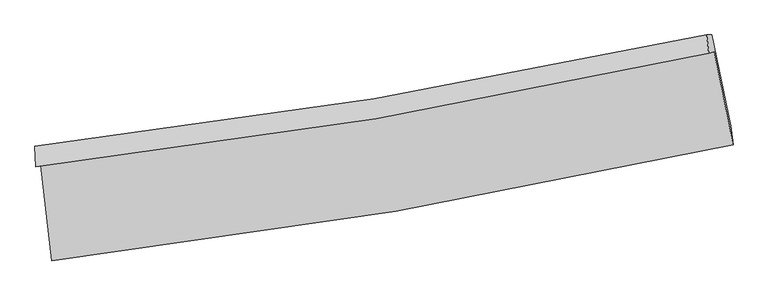
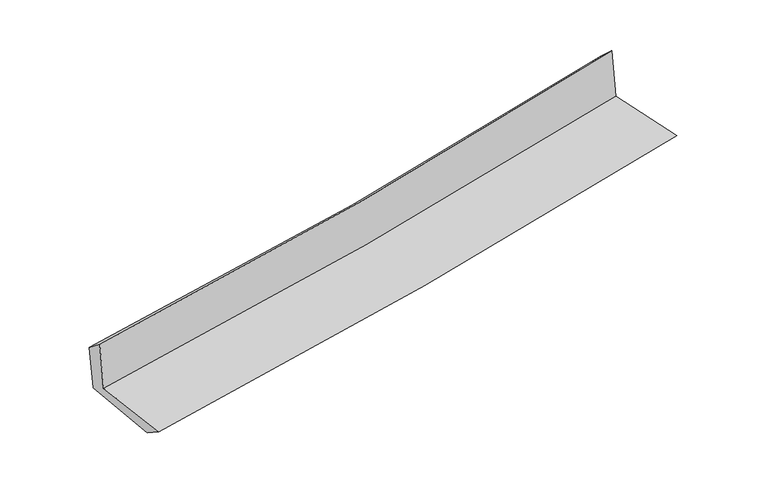
"""IFC4 building model written with IfcOpenShell, lengths in millimetres: proxy geometry."""

from ifc_helpers import new_model, si_unit, frame, origin, place, context, project, spatial, source, transform, mapped, element, save
from ifc_brep_helpers import plane_surface, spline_curve, spline_surface, advanced_brep


def generic_models_9126363f(model_context):
    return source(origin(), model_context, "Body", "AdvancedBrep", [
        advanced_brep(
        [(-2425.476243, -1877.2422857, 1651.3919088), (-2348.8169673, -2555.4264442, 1648.8368677), (2495.3609634, -1729.5300128, 2097.4118834), (2361.2428029, -1070.5390093, 2094.418122), (-2462.5095008, -1888.0106052, 2063.1153487), (2322.6856437, -1081.7504401, 2523.0837911), (-2468.6254183, -1741.3730352, 1951.0727864), (2307.6910383, -949.9631809, 2398.359834), (-2433.6951929, -1741.8307767, 1575.6062424), (2344.2349825, -950.2848548, 2015.5104572), (-2357.206332, -2397.4346712, 1547.4945097), (2477.8013281, -1594.6032996, 1992.8884307)],
        [
            (0, 1),
            (1, 2, spline_curve(3, [(-2348.8169673, -2555.4264442, 1648.8368677), (-1529.682302271, -2459.69240273, 1730.155430405), (-713.973106989, -2342.446216949, 1808.40699625), (900.669675101, -2066.624937162, 1957.857513032), (1699.686456659, -1908.572312788, 2029.130952207), (2495.3609634, -1729.5300128, 2097.4118834)], [4, 2, 4], [0.0, 8.098157891967187, 16.0973706331687])),
            (2, 3),
            (3, 0, spline_curve(3, [(2361.2428029, -1070.5390093, 2094.418122), (1574.872456471, -1245.969374097, 2027.048177683), (785.265907801, -1400.62510268, 1956.689764851), (-810.226553073, -1670.043311496, 1809.088748492), (-1616.193019439, -1784.288674938, 1731.771756797), (-2425.476243, -1877.2422857, 1651.3919088)], [4, 2, 4], [0.0, 7.999212741201514, 16.0973706331687])),
            (4, 0),
            (3, 5),
            (5, 4, spline_curve(3, [(2322.6856437, -1081.7504401, 2523.0837911), (1537.097209085, -1256.953444936, 2447.020811428), (748.009454723, -1411.458321771, 2370.894614903), (-846.968489433, -1680.726922012, 2217.573374537), (-1652.945783307, -1794.975433912, 2140.376756695), (-2462.5095008, -1888.0106052, 2063.1153487)], [4, 2, 4], [0.0, 7.950131785746558, 15.998601622198528])),
            (6, 4),
            (5, 7),
            (7, 6, spline_curve(3, [(2307.6910383, -949.9631809, 2398.359834), (1523.537087202, -1121.695561217, 2320.959641568), (735.901806135, -1273.232099904, 2245.204560429), (-856.117023156, -1537.538093999, 2096.067928197), (-1660.587227471, -1649.804840252, 2022.727326862), (-2468.6254183, -1741.3730352, 1951.0727864)], [4, 2, 4], [0.0, 7.9399842258700115, 15.978180983613225])),
            (8, 6),
            (7, 9),
            (9, 8, spline_curve(3, [(2344.2349825, -950.2848548, 2015.5104572), (1559.265629626, -1122.040841883, 1945.127302296), (771.087313187, -1273.600456098, 1873.510001823), (-821.476202009, -1537.951819475, 1726.905983734), (-1625.941277234, -1650.240845526, 1651.888545978), (-2433.6951929, -1741.8307767, 1575.6062424)], [4, 2, 4], [0.0, 7.930616425822784, 15.959329509817444])),
            (10, 8),
            (9, 11),
            (11, 10, spline_curve(3, [(2477.8013281, -1594.6032996, 1992.8884307), (1683.070948241, -1766.157694366, 1921.690709002), (885.283955257, -1918.544821491, 1849.211752702), (-726.309180188, -2186.632385055, 1700.779004263), (-1540.191407414, -2301.855715219, 1624.793320509), (-2357.206332, -2397.4346712, 1547.4945097)], [4, 2, 4], [0.0, 7.978829884211237, 16.056352796270154])),
            (1, 10),
            (11, 2),
        ],
        [
            spline_surface(3, 3, [[(-2425.476243, -1877.2422857, 1651.3919088), (-1616.193019474, -1784.288674843, 1731.771756865), (-810.226552957, -1670.043311406, 1809.088748548), (785.265907687, -1400.62510277, 1956.689764796), (1574.872456474, -1245.969374092, 2027.048177563), (2361.2428029, -1070.5390093, 2094.418122)], [(-2399.92315109, -2103.303671872, 1650.540228404), (-1587.356113704, -2009.423250821, 1731.232981323), (-778.142070934, -1894.177613238, 1808.861497814), (823.733830133, -1622.625047589, 1957.079014168), (1616.477123198, -1466.837020276, 2027.742435751), (2405.948856406, -1290.202677129, 2095.416042475)], [(-2374.37005921, -2329.365058028, 1649.688548096), (-1558.519207964, -2234.557826782, 1730.694205869), (-746.057588923, -2118.31191506, 1808.634247092), (862.201752567, -1844.624992399, 1957.468263553), (1658.081789905, -1687.704666473, 2028.436693915), (2450.654909894, -1509.866344971, 2096.413962925)], [(-2348.8169673, -2555.4264442, 1648.8368677), (-1529.682302195, -2459.692402759, 1730.155430327), (-713.9731069, -2342.446216892, 1808.406996359), (900.669675013, -2066.624937218, 1957.857512925), (1699.686456629, -1908.572312656, 2029.130952102), (2495.3609634, -1729.5300128, 2097.4118834)]], [4, 4], [4, 2, 4], [0.0, 2.2228942371181706], [0.0, 8.098157891967187, 16.0973706331687]),
            spline_surface(3, 3, [[(-2462.5095008, -1888.0106052, 2063.1153487), (-1652.945783177, -1794.97543387, 2140.376756706), (-846.968489381, -1680.72692211, 2217.573374441), (748.009454672, -1411.458321674, 2370.894614997), (1537.097209072, -1256.95344504, 2447.020811405), (2322.6856437, -1081.7504401, 2523.0837911)], [(-2450.165081547, -1884.421165387, 1925.874202081), (-1640.694861956, -1791.413180882, 2004.175090107), (-834.721177246, -1677.165718551, 2081.411832467), (760.428272337, -1407.847248715, 2232.826331587), (1549.688958207, -1253.292088055, 2307.029933452), (2335.5380301, -1078.013296498, 2380.195234727)], [(-2437.820662253, -1880.831725513, 1788.633055419), (-1628.443940695, -1787.850927832, 1867.973423465), (-822.473865092, -1673.604514964, 1945.250290522), (772.847090022, -1404.236175729, 2094.758048206), (1562.280707339, -1249.630731077, 2167.039055517), (2348.3904165, -1074.276152902, 2237.306678373)], [(-2425.476243, -1877.2422857, 1651.3919088), (-1616.193019474, -1784.288674843, 1731.771756865), (-810.226552957, -1670.043311406, 1809.088748548), (785.265907687, -1400.62510277, 1956.689764796), (1574.872456474, -1245.969374092, 2027.048177563), (2361.2428029, -1070.5390093, 2094.418122)]], [4, 4], [4, 2, 4], [0.0, 1.3553493785128672], [0.0, 8.04846983645197, 15.998601622198528]),
            spline_surface(3, 3, [[(-2468.6254183, -1741.3730352, 1951.0727864), (-1660.587227546, -1649.804840131, 2022.727326758), (-856.117023118, -1537.538093991, 2096.067928217), (735.901806097, -1273.232099912, 2245.204560409), (1523.537087232, -1121.6955613, 2320.959641484), (2307.6910383, -949.9631809, 2398.359834)], [(-2466.586779127, -1790.252225186, 1988.420307175), (-1658.040079417, -1698.19503803, 2061.943803416), (-853.067511883, -1585.267703361, 2136.569743629), (739.937688945, -1319.307507162, 2287.101245275), (1528.057127852, -1166.781522554, 2362.980031462), (2312.689240106, -993.892267308, 2439.934486371)], [(-2464.548139973, -1839.131415214, 2025.767827925), (-1655.492931306, -1746.585235971, 2101.160280049), (-850.018000616, -1632.997312741, 2177.07155903), (743.973571824, -1365.382914424, 2328.997930131), (1532.577168453, -1211.867483786, 2405.000421428), (2317.687441894, -1037.821353692, 2481.509138729)], [(-2462.5095008, -1888.0106052, 2063.1153487), (-1652.945783177, -1794.97543387, 2140.376756706), (-846.968489381, -1680.72692211, 2217.573374441), (748.009454672, -1411.458321674, 2370.894614997), (1537.097209072, -1256.95344504, 2447.020811405), (2322.6856437, -1081.7504401, 2523.0837911)]], [4, 4], [4, 2, 4], [0.0, 0.6154504491643088], [0.0, 8.038196757743213, 15.978180983613225]),
            spline_surface(3, 3, [[(-2433.6951929, -1741.8307767, 1575.6062424), (-1625.941277304, -1650.240845572, 1651.888545893), (-821.476201995, -1537.951819369, 1726.905983641), (771.087313172, -1273.600456203, 1873.510001916), (1559.26562966, -1122.040841806, 1945.127302391), (2344.2349825, -950.2848548, 2015.5104572)], [(-2445.338601357, -1741.678196191, 1700.761757065), (-1637.489927375, -1650.095510416, 1775.501472846), (-833.023142369, -1537.813910886, 1849.959965159), (759.358810814, -1273.477670748, 1997.408188073), (1547.356115511, -1121.925748304, 2070.404748731), (2332.05366776, -950.177630167, 2143.126916109)], [(-2456.982009843, -1741.525615709, 1825.917271735), (-1649.038577475, -1649.950175287, 1899.114399805), (-844.570082744, -1537.676002475, 1973.013946699), (747.630308456, -1273.354885366, 2121.306374252), (1535.446601382, -1121.810654802, 2195.682195144), (2319.87235304, -950.070405533, 2270.743375091)], [(-2468.6254183, -1741.3730352, 1951.0727864), (-1660.587227546, -1649.804840131, 2022.727326758), (-856.117023118, -1537.538093991, 2096.067928217), (735.901806097, -1273.232099912, 2245.204560409), (1523.537087232, -1121.6955613, 2320.959641484), (2307.6910383, -949.9631809, 2398.359834)]], [4, 4], [4, 2, 4], [0.0, 1.2206516925702544], [0.0, 8.02871308399466, 15.959329509817444]),
            spline_surface(3, 3, [[(-2357.206332, -2397.4346712, 1547.4945097), (-1540.191407427, -2301.855715117, 1624.793320435), (-726.309180305, -2186.632385045, 1700.779004384), (885.283955373, -1918.544821501, 1849.211752581), (1683.070948261, -1766.157694416, 1921.690708965), (2477.8013281, -1594.6032996, 1992.8884307)], [(-2382.702618971, -2178.900039703, 1556.865087274), (-1568.77469739, -2084.650758605, 1633.825062262), (-758.031520866, -1970.405529821, 1709.487997462), (847.218407975, -1703.563366403, 1857.311169018), (1641.802508714, -1551.452076887, 1929.502906804), (2433.279212886, -1379.830484675, 2000.42910623)], [(-2408.198905929, -1960.365408197, 1566.235664826), (-1597.357987341, -1867.445802084, 1642.856804066), (-789.753861434, -1754.178674593, 1718.196990563), (809.15286057, -1488.5819113, 1865.410585479), (1600.534069208, -1336.746459335, 1937.315104553), (2388.757097714, -1165.057669725, 2007.96978167)], [(-2433.6951929, -1741.8307767, 1575.6062424), (-1625.941277304, -1650.240845572, 1651.888545893), (-821.476201995, -1537.951819369, 1726.905983641), (771.087313172, -1273.600456203, 1873.510001916), (1559.26562966, -1122.040841806, 1945.127302391), (2344.2349825, -950.2848548, 2015.5104572)]], [4, 4], [4, 2, 4], [0.0, 2.1513062471069984], [0.0, 8.077522912058917, 16.056352796270154]),
            spline_surface(3, 3, [[(-2348.8169673, -2555.4264442, 1648.8368677), (-1529.682302195, -2459.692402759, 1730.155430327), (-713.9731069, -2342.446216892, 1808.406996359), (900.669675013, -2066.624937218, 1957.857512925), (1699.686456629, -1908.572312656, 2029.130952102), (2495.3609634, -1729.5300128, 2097.4118834)], [(-2351.613422208, -2502.762519861, 1615.056081701), (-1533.18533728, -2407.080173539, 1695.03472703), (-718.085131358, -2290.508272956, 1772.530999059), (895.541101811, -2017.264898659, 1921.642259503), (1694.147953849, -1861.100773234, 1993.317537712), (2489.507751642, -1684.554441724, 2062.570732489)], [(-2354.409877092, -2450.098595539, 1581.275295699), (-1536.688372341, -2354.467944337, 1659.914023731), (-722.197155848, -2238.570328981, 1736.655001684), (890.412528575, -1967.90486006, 1885.427006004), (1688.609451042, -1813.629233838, 1957.504123356), (2483.654539858, -1639.578870676, 2027.729581611)], [(-2357.206332, -2397.4346712, 1547.4945097), (-1540.191407427, -2301.855715117, 1624.793320435), (-726.309180305, -2186.632385045, 1700.779004384), (885.283955373, -1918.544821501, 1849.211752581), (1683.070948261, -1766.157694416, 1921.690708965), (2477.8013281, -1594.6032996, 1992.8884307)]], [4, 4], [4, 2, 4], [0.0, 0.6136667010240029], [0.0, 8.136644025355038, 16.173872667538312]),
            plane_surface(frame((2384.8361265, -1229.4451329, 2186.9454197), z_axis=(0.9755863270851559, 0.198974080132551, 0.09295500976225227), x_axis=(-0.09502060968511415, 0.0008364080761229092, 0.9954749540579108))),
            plane_surface(frame((-2416.0549424, -2033.5529697, 1739.5862773), z_axis=(-0.9895038572166586, -0.11150332980587149, -0.0919191165947424), x_axis=(-0.11231999601477591, 0.9936650360661885, 0.0037436071937701904))),
        ],
        [
            (0, [[1, 2, 3, 4]]),
            (1, [[5, -4, 6, 7]]),
            (2, [[8, -7, 9, 10]]),
            (3, [[11, -10, 12, 13]]),
            (4, [[14, -13, 15, 16]]),
            (5, [[17, -16, 18, -2]]),
            (6, [[-12, -9, -6, -3, -18, -15]]),
            (7, [[-1, -5, -8, -11, -14, -17]]),
        ],
    ),
    ])


if __name__ == "__main__":
    model = new_model("IFC4")
    model_context = context("Model", 3, world=origin())
    ifc_project = project(units=[si_unit("LENGTHUNIT", "METRE", prefix="MILLI")], contexts=[model_context])
    site = spatial("IfcSite", under=ifc_project)
    building = spatial("IfcBuilding", under=site)
    placement = place(None, origin())
    generic_models_shape = generic_models_9126363f(model_context)
    element("IfcBuildingElementProxy", 1, Name="Generic Models", at=placement, inside=building, context=model_context, shape_type="MappedRepresentation", body=[
        mapped(generic_models_shape, transform((0.0, 0.0, 0.0), x_axis=(1.0, 0.0, 0.0), y_axis=(0.0, 1.0, 0.0), z_axis=(0.0, 0.0, 1.0))),
    ])
    save(model, "model.ifc")
